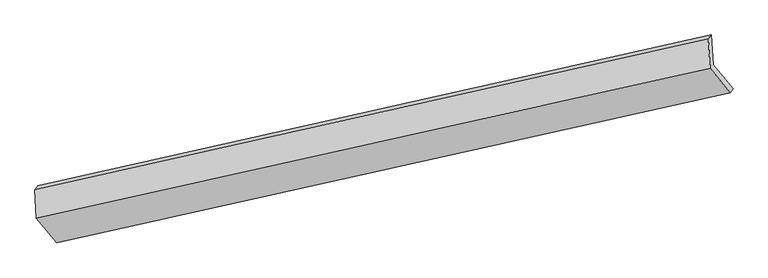
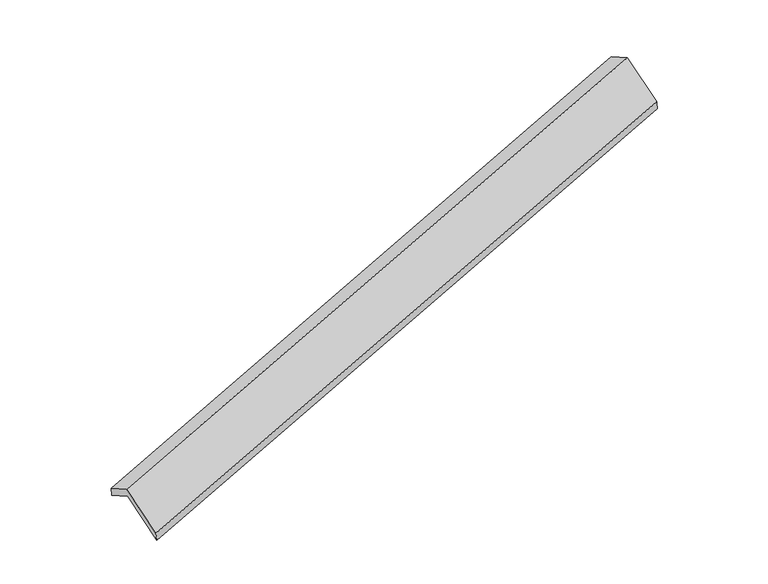
"""IFC4 building model written with IfcOpenShell, lengths in millimetres: proxy geometry."""

from ifc_helpers import new_model, si_unit, frame, origin, place, context, project, spatial, source, transform, mapped, element, save
from ifc_brep_helpers import plane_surface, spline_surface, advanced_brep


def generic_models_c3cce2e0(model_context):
    return source(origin(), model_context, "Body", "AdvancedBrep", [
        advanced_brep(
        [(-7374.6210604, -2502.1433406, 749.1875586), (-7395.4358145, -2109.5222303, 536.1347717), (1508.3201732, -117.5616826, 3284.6395343), (1529.1349273, -510.1827929, 3497.6923212), (-7435.1268203, -2165.9334985, 702.2474562), (1468.1637075, -165.1931508, 3445.9879287), (-7415.1786655, -2542.2082622, 906.4300254), (1489.042782, -559.0275144, 3659.699078), (-7147.6880026, -2864.5027212, 286.3613437), (1756.533445, -881.3219735, 3039.6303963), (-7109.5659108, -2821.5032955, 134.7646275), (1794.1900769, -829.5427478, 2883.26939)],
        [
            (0, 1),
            (1, 2),
            (2, 3),
            (3, 0),
            (1, 4),
            (4, 5),
            (5, 2),
            (4, 6),
            (6, 7),
            (7, 5),
            (6, 8),
            (8, 9),
            (9, 7),
            (8, 10),
            (10, 11),
            (11, 9),
            (10, 0),
            (3, 11),
        ],
        [
            plane_surface(frame((-7385.0284374, -2305.8327854, 642.6611652), z_axis=(0.35284112899525544, -0.4317507599841049, -0.8301171115827584), x_axis=(-0.046545988529502196, 0.877979996259587, -0.47642900533009863))),
            spline_surface(1, 1, [[(-7395.4358145, -2109.5222303, 536.1347717), (1508.3201732, -117.5616826, 3284.6395343)], [(-7435.1268203, -2165.9334985, 702.2474562), (1468.1637075, -165.1931508, 3445.9879287)]], [2, 2], [2, 2], [0.0, 1.0], [0.0, 1.0]),
            plane_surface(frame((-7425.1527429, -2354.0708804, 804.3387408), z_axis=(-0.35284112899525505, 0.43175075998412044, 0.8301171115827504), x_axis=(0.04654598852928814, -0.8779799962596255, 0.4764290053300486))),
            plane_surface(frame((-7281.433334, -2703.3554917, 596.3956846), z_axis=(0.048014272889928794, -0.8776500853028955, 0.47689092816562556), x_axis=(0.3574781153120376, -0.4307186445690048, -0.8286681158905493))),
            spline_surface(1, 1, [[(-7147.6880026, -2864.5027212, 286.3613437), (1756.533445, -881.3219735, 3039.6303963)], [(-7109.5659108, -2821.5032955, 134.7646275), (1794.1900769, -829.5427478, 2883.26939)]], [2, 2], [2, 2], [0.0, 1.0], [0.0, 1.0]),
            plane_surface(frame((-7242.0934856, -2661.823318, 441.9760931), z_axis=(-0.04899305966003961, 0.8774289371608779, -0.4771982191268948), x_axis=(-0.3574781153120191, 0.43071864456902004, 0.8286681158905495))),
            plane_surface(frame((1590.8975186, -510.4716437, 3301.8197747), z_axis=(0.9327608846991949, 0.20888411952192143, 0.2938104092552323), x_axis=(0.22287152467989493, 0.3064563769345473, -0.9254257250168755))),
            plane_surface(frame((-7312.9360457, -2500.9688914, 552.5209639), z_axis=(-0.932760884699195, -0.20888411952183464, -0.2938104092552935), x_axis=(0.35747811531203105, -0.43071864456900866, -0.8286681158905501))),
        ],
        [
            (0, [[1, 2, 3, 4]]),
            (1, [[5, 6, 7, -2]]),
            (2, [[8, 9, 10, -6]]),
            (3, [[11, 12, 13, -9]]),
            (4, [[14, 15, 16, -12]]),
            (5, [[17, -4, 18, -15]]),
            (6, [[-16, -18, -3, -7, -10, -13]]),
            (7, [[-17, -14, -11, -8, -5, -1]]),
        ],
    ),
    ])


if __name__ == "__main__":
    model = new_model("IFC4")
    model_context = context("Model", 3, world=origin())
    ifc_project = project(units=[si_unit("LENGTHUNIT", "METRE", prefix="MILLI")], contexts=[model_context])
    site = spatial("IfcSite", under=ifc_project)
    building = spatial("IfcBuilding", under=site)
    placement = place(None, origin())
    generic_models_shape = generic_models_c3cce2e0(model_context)
    element("IfcBuildingElementProxy", 1, Name="Generic Models", at=placement, inside=building, context=model_context, shape_type="MappedRepresentation", body=[
        mapped(generic_models_shape, transform((0.0, 0.0, 0.0), x_axis=(1.0, 0.0, 0.0), y_axis=(0.0, 1.0, 0.0), z_axis=(0.0, 0.0, 1.0))),
    ])
    save(model, "model.ifc")
